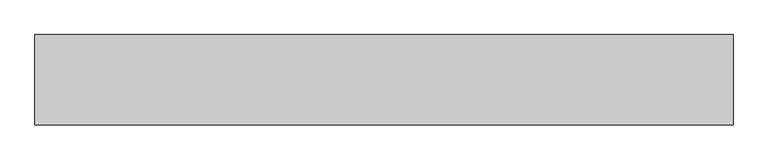
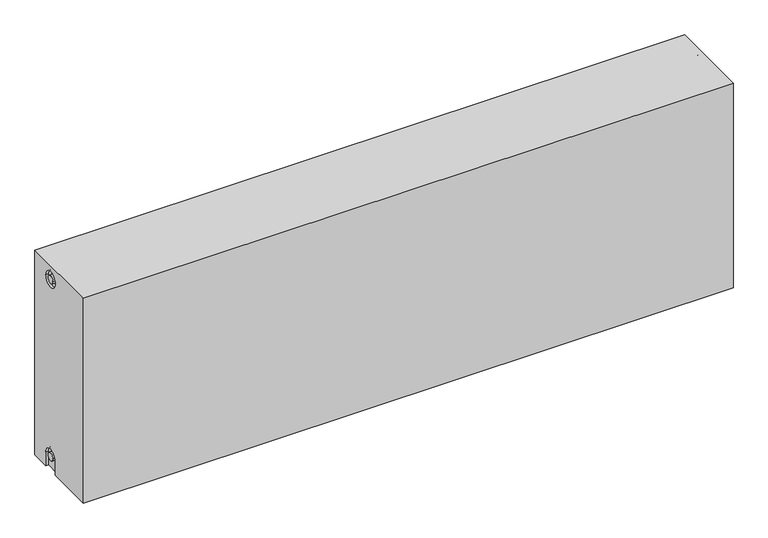
"""IFC4 building model written with IfcOpenShell, lengths in millimetres: proxy geometry."""

from ifc_helpers import new_model, si_unit, frame, origin, place, context, project, spatial, polyline, circle_curve, source, transform, mapped, element, save
from ifc_brep_helpers import plane_surface, cylinder_surface, revolved_surface, advanced_brep


def mechanical_equipment_1d1b3872(model_context):
    return source(origin(), model_context, "Body", "AdvancedBrep", [
        advanced_brep(
        [(1200.0, 77.5, 400.0), (1200.0, 77.5, 0.0), (0.0, 77.5, 0.0), (0.0, 77.5, 400.0), (1200.0, -77.5, 400.0), (0.0, -77.5, 400.0), (0.0, -77.5, 0.0), (1200.0, -77.5, 0.0), (1200.0, 12.2242393, 0.0), (1200.0, 12.2242393, 27.0), (1200.0, 42.2242393, 27.0), (1200.0, 42.2242393, 0.0), (1200.0, 42.2242393, 373.0), (1200.0, 12.2242393, 373.0), (1200.0, 19.7242393, 27.0), (1200.0, 34.7242393, 27.0), (1200.0, 34.7242393, 373.0), (1200.0, 19.7242393, 373.0), (1195.0, 42.2242393, 0.0), (1195.0, 12.2242393, 0.0), (0.0, 12.5, 0.0), (5.0, 12.5, 0.0), (5.0, 42.5, 0.0), (0.0, 42.5, 0.0), (0.0, 42.5, 27.0), (0.0, 12.5, 27.0), (0.0, 12.2242393, 373.0), (0.0, 42.2242393, 373.0), (0.0, 19.7242393, 373.0), (0.0, 34.7242393, 373.0), (0.0, 35.0682726, 27.0), (0.0, 20.0682726, 27.0), (5.0, 12.2242393, 373.0), (5.0, 42.2242393, 373.0), (5.0, 19.7242393, 373.0), (5.0, 34.7242393, 373.0), (5.0, 12.5, 27.0), (5.0, 42.5, 27.0), (5.0, 20.0682726, 27.0), (5.0, 35.0682726, 27.0), (1195.0, 42.2242393, 27.0), (1195.0, 12.2242393, 27.0), (1195.0, 19.7242393, 27.0), (1195.0, 34.7242393, 27.0), (1195.0, 12.2242393, 373.0), (1195.0, 42.2242393, 373.0), (1195.0, 19.7242393, 373.0), (1195.0, 34.7242393, 373.0)],
        [
            (0, 1),
            (1, 2),
            (2, 3),
            (3, 0),
            (4, 5),
            (5, 6),
            (6, 7),
            (7, 4),
            (0, 4),
            (7, 8),
            (8, 9),
            (9, 10, circle_curve(frame((1200.0, 27.2242393, 27.0), z_axis=(-1.0, 0.0, 0.0), x_axis=(0.0, 1.0, 0.0)), 15.0)),
            (10, 11),
            (11, 1),
            (12, 13, circle_curve(frame((1200.0, 27.2242393, 373.0), z_axis=(-1.0, 0.0, 0.0), x_axis=(0.0, 1.0, 0.0)), 15.0)),
            (13, 12, circle_curve(frame((1200.0, 27.2242393, 373.0), z_axis=(-1.0, 0.0, 0.0), x_axis=(0.0, 1.0, 0.0)), 15.0)),
            (14, 15, circle_curve(frame((1200.0, 27.2242393, 27.0), z_axis=(1.0, 0.0, 0.0), x_axis=(0.0, 1.0, 0.0)), 7.5)),
            (15, 14, circle_curve(frame((1200.0, 27.2242393, 27.0), z_axis=(1.0, 0.0, 0.0), x_axis=(0.0, 1.0, 0.0)), 7.5)),
            (16, 17, circle_curve(frame((1200.0, 27.2242393, 373.0), z_axis=(1.0, 0.0, 0.0), x_axis=(0.0, 1.0, 0.0)), 7.5)),
            (17, 16, circle_curve(frame((1200.0, 27.2242393, 373.0), z_axis=(1.0, 0.0, 0.0), x_axis=(0.0, 1.0, 0.0)), 7.5)),
            (11, 18),
            (18, 19),
            (19, 8),
            (6, 20),
            (20, 21),
            (21, 22),
            (22, 23),
            (23, 2),
            (23, 24),
            (24, 25, circle_curve(frame((0.0, 27.5, 27.0), z_axis=(1.0, 0.0, 0.0), x_axis=(0.0, 1.0, 0.0)), 15.0)),
            (25, 20),
            (5, 3),
            (26, 27, circle_curve(frame((0.0, 27.2242393, 373.0), z_axis=(1.0, 0.0, 0.0), x_axis=(0.0, 1.0, 0.0)), 15.0)),
            (27, 26, circle_curve(frame((0.0, 27.2242393, 373.0), z_axis=(1.0, 0.0, 0.0), x_axis=(0.0, 1.0, 0.0)), 15.0)),
            (28, 29, circle_curve(frame((0.0, 27.2242393, 373.0), z_axis=(-1.0, 0.0, 0.0), x_axis=(0.0, 1.0, 0.0)), 7.5)),
            (29, 28, circle_curve(frame((0.0, 27.2242393, 373.0), z_axis=(-1.0, 0.0, 0.0), x_axis=(0.0, 1.0, 0.0)), 7.5)),
            (30, 31, circle_curve(frame((0.0, 27.5682726, 27.0), z_axis=(-1.0, 0.0, 0.0), x_axis=(0.0, 1.0, 0.0)), 7.5)),
            (31, 30, circle_curve(frame((0.0, 27.5682726, 27.0), z_axis=(-1.0, 0.0, 0.0), x_axis=(0.0, 1.0, 0.0)), 7.5)),
            (32, 33, circle_curve(frame((5.0, 27.2242393, 373.0), z_axis=(-1.0, 0.0, 0.0), x_axis=(0.0, 1.0, 0.0)), 15.0)),
            (33, 32, circle_curve(frame((5.0, 27.2242393, 373.0), z_axis=(-1.0, 0.0, 0.0), x_axis=(0.0, 1.0, 0.0)), 15.0)),
            (34, 35, circle_curve(frame((5.0, 27.2242393, 373.0), z_axis=(1.0, 0.0, 0.0), x_axis=(0.0, 1.0, 0.0)), 7.5)),
            (35, 34, circle_curve(frame((5.0, 27.2242393, 373.0), z_axis=(1.0, 0.0, 0.0), x_axis=(0.0, 1.0, 0.0)), 7.5)),
            (33, 27),
            (26, 32),
            (35, 29),
            (28, 34),
            (21, 36),
            (36, 37, circle_curve(frame((5.0, 27.5, 27.0), z_axis=(-1.0, 0.0, 0.0), x_axis=(0.0, 1.0, 0.0)), 15.0)),
            (37, 22),
            (38, 39, circle_curve(frame((5.0, 27.5682726, 27.0), z_axis=(1.0, 0.0, 0.0), x_axis=(0.0, 1.0, 0.0)), 7.5)),
            (39, 38, circle_curve(frame((5.0, 27.5682726, 27.0), z_axis=(1.0, 0.0, 0.0), x_axis=(0.0, 1.0, 0.0)), 7.5)),
            (38, 31),
            (30, 39),
            (37, 24),
            (36, 25),
            (18, 40),
            (40, 41, circle_curve(frame((1195.0, 27.2242393, 27.0), z_axis=(1.0, 0.0, 0.0), x_axis=(0.0, 1.0, 0.0)), 15.0)),
            (41, 19),
            (42, 43, circle_curve(frame((1195.0, 27.2242393, 27.0), z_axis=(-1.0, 0.0, 0.0), x_axis=(0.0, 1.0, 0.0)), 7.5)),
            (43, 42, circle_curve(frame((1195.0, 27.2242393, 27.0), z_axis=(-1.0, 0.0, 0.0), x_axis=(0.0, 1.0, 0.0)), 7.5)),
            (43, 15),
            (14, 42),
            (10, 40),
            (9, 41),
            (44, 45, circle_curve(frame((1195.0, 27.2242393, 373.0), z_axis=(1.0, 0.0, 0.0), x_axis=(0.0, 1.0, 0.0)), 15.0)),
            (45, 44, circle_curve(frame((1195.0, 27.2242393, 373.0), z_axis=(1.0, 0.0, 0.0), x_axis=(0.0, 1.0, 0.0)), 15.0)),
            (46, 47, circle_curve(frame((1195.0, 27.2242393, 373.0), z_axis=(-1.0, 0.0, 0.0), x_axis=(0.0, 1.0, 0.0)), 7.5)),
            (47, 46, circle_curve(frame((1195.0, 27.2242393, 373.0), z_axis=(-1.0, 0.0, 0.0), x_axis=(0.0, 1.0, 0.0)), 7.5)),
            (44, 13),
            (12, 45),
            (46, 17),
            (16, 47),
        ],
        [
            plane_surface(frame((1200.0, 77.5, 400.0), z_axis=(0.0, 1.0, 0.0), x_axis=(0.0, 0.0, -1.0))),
            plane_surface(frame((1200.0, -77.5, 400.0), z_axis=(0.0, -1.0, 0.0), x_axis=(0.0, 0.0, 1.0))),
            plane_surface(frame((1200.0, 77.5, 400.0), z_axis=(1.0, 0.0, 0.0), x_axis=(0.0, -1.0, 0.0))),
            plane_surface(frame((1200.0, 77.5, 0.0), z_axis=(0.0, 0.0, -1.0), x_axis=(0.0, -1.0, 0.0))),
            plane_surface(frame((0.0, 77.5, 0.0), z_axis=(-1.0, 0.0, 0.0), x_axis=(0.0, -1.0, 0.0))),
            plane_surface(frame((0.0, 77.5, 400.0), z_axis=(0.0, 0.0, 1.0), x_axis=(0.0, -1.0, 0.0))),
            plane_surface(frame((5.0, 42.2242393, 373.0), z_axis=(-1.0, 0.0, 0.0), x_axis=(0.0, 0.0, 1.0))),
            revolved_surface(polyline([(5.0, 42.2242393, 373.0), (0.0, 42.2242393, 373.0)]), (0.0, 27.2242393, 373.0), (1.0, 0.0, 0.0)),
            cylinder_surface(frame((0.0, 27.2242393, 373.0), z_axis=(-1.0, 0.0, 0.0), x_axis=(0.0, 1.0, 0.0)), 7.5),
            plane_surface(frame((5.0, 35.0682726, 27.0), z_axis=(-1.0, 0.0, 0.0), x_axis=(0.0, 0.0, -1.0))),
            cylinder_surface(frame((0.0, 27.5682726, 27.0), z_axis=(-1.0, 0.0, 0.0), x_axis=(0.0, 1.0, 0.0)), 7.5),
            plane_surface(frame((5.0, 42.5, 0.0), z_axis=(0.0, -1.0, 0.0), x_axis=(-1.0, 0.0, 0.0))),
            revolved_surface(polyline([(5.0, 42.5, 27.0), (0.0, 42.5, 27.0)]), (0.0, 27.5, 27.0), (1.0, 0.0, 0.0)),
            plane_surface(frame((5.0, 12.5, 27.0), z_axis=(0.0, 1.0, 0.0), x_axis=(-1.0, 0.0, 0.0))),
            plane_surface(frame((1195.0, 34.7242393, 27.0), z_axis=(1.0, 0.0, 0.0), x_axis=(0.0, 0.0, 1.0))),
            cylinder_surface(frame((1195.0, 27.2242393, 27.0), z_axis=(-1.0, 0.0, 0.0), x_axis=(0.0, 1.0, 0.0)), 7.5),
            plane_surface(frame((1200.0, 42.2242393, 0.0), z_axis=(0.0, -1.0, 0.0), x_axis=(-1.0, 0.0, 0.0))),
            revolved_surface(polyline([(1200.0, 42.2242393, 27.0), (1195.0, 42.2242393, 27.0)]), (895.0, 27.2242393, 27.0), (1.0, 0.0, 0.0)),
            plane_surface(frame((1200.0, 12.2242393, 27.0), z_axis=(0.0, 1.0, 0.0), x_axis=(-1.0, 0.0, 0.0))),
            plane_surface(frame((1195.0, 42.2242393, 373.0), z_axis=(1.0, 0.0, 0.0), x_axis=(0.0, 0.0, -1.0))),
            revolved_surface(polyline([(1200.0, 42.2242393, 373.0), (1195.0, 42.2242393, 373.0)]), (1195.0, 27.2242393, 373.0), (1.0, 0.0, 0.0)),
            cylinder_surface(frame((895.0, 27.2242393, 373.0), z_axis=(-1.0, 0.0, 0.0), x_axis=(0.0, 1.0, 0.0)), 7.5),
        ],
        [
            (0, [[1, 2, 3, 4]]),
            (1, [[5, 6, 7, 8]]),
            (2, [[-1, 9, -8, 10, 11, 12, 13, 14], [15, 16]]),
            (2, [[17, 18]]),
            (2, [[19, 20]]),
            (3, [[-2, -14, 21, 22, 23, -10, -7, 24, 25, 26, 27, 28]]),
            (4, [[-3, -28, 29, 30, 31, -24, -6, 32], [33, 34]]),
            (4, [[35, 36]]),
            (4, [[37, 38]]),
            (5, [[-4, -32, -5, -9]]),
            (6, [[39, 40], [41, 42]]),
            (7, [[-40, 43, -33, 44]]),
            (7, [[-39, -44, -34, -43]]),
            (8, [[-42, 45, -35, 46]]),
            (8, [[-41, -46, -36, -45]]),
            (9, [[47, 48, 49, -26], [50, 51]]),
            (10, [[-50, 52, -37, 53]]),
            (10, [[-51, -53, -38, -52]]),
            (11, [[-49, 54, -29, -27]]),
            (12, [[-48, 55, -30, -54]]),
            (13, [[-47, -25, -31, -55]]),
            (14, [[56, 57, 58, -22], [59, 60]]),
            (15, [[-60, 61, -17, 62]]),
            (15, [[-59, -62, -18, -61]]),
            (16, [[-56, -21, -13, 63]]),
            (17, [[-57, -63, -12, 64]]),
            (18, [[-58, -64, -11, -23]]),
            (19, [[65, 66], [67, 68]]),
            (20, [[-65, 69, -15, 70]]),
            (20, [[-66, -70, -16, -69]]),
            (21, [[-67, 71, -19, 72]]),
            (21, [[-68, -72, -20, -71]]),
        ],
    ),
    ])


if __name__ == "__main__":
    model = new_model("IFC4")
    model_context = context("Model", 3, world=origin())
    ifc_project = project(units=[si_unit("LENGTHUNIT", "METRE", prefix="MILLI")], contexts=[model_context])
    site = spatial("IfcSite", under=ifc_project)
    building = spatial("IfcBuilding", under=site)
    placement = place(None, origin())
    mechanical_equipment_shape = mechanical_equipment_1d1b3872(model_context)
    element("IfcBuildingElementProxy", 1, Name="Mechanical Equipment", at=placement, inside=building, context=model_context, shape_type="MappedRepresentation", body=[
        mapped(mechanical_equipment_shape, transform((0.0, 0.0, 0.0), x_axis=(1.0, 0.0, 0.0), y_axis=(0.0, 1.0, 0.0), z_axis=(0.0, 0.0, 1.0))),
    ])
    save(model, "model.ifc")
